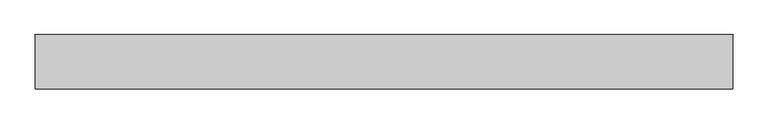
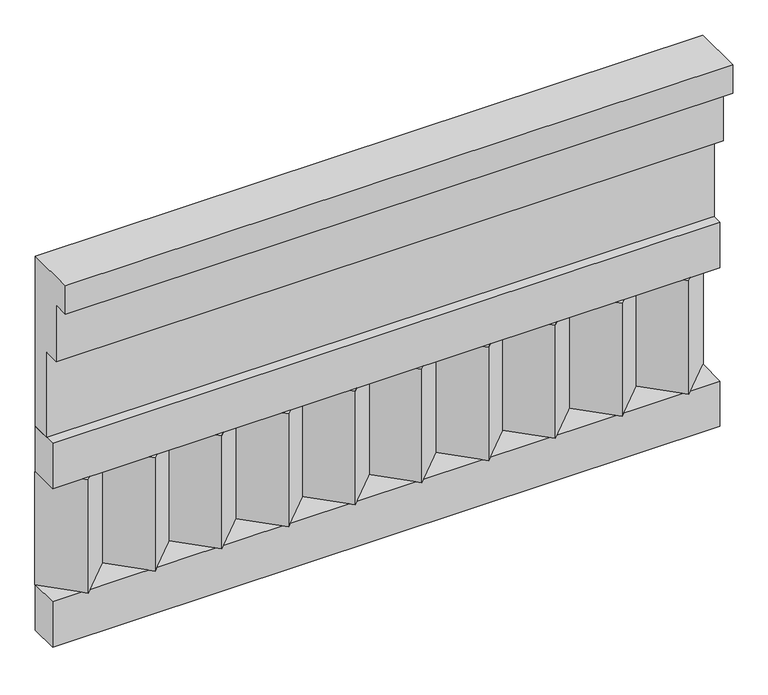
"""IFC4 building model written with IfcOpenShell, lengths in millimetres: railing geometry."""

from ifc_helpers import new_model, si_unit, frame, origin, place, context, project, spatial, polyline, outline, extrude, source, transform, mapped, element, save


def railing_b34f055b(model_context):
    return source(origin(), model_context, "Body", "SweptSolid", [
        extrude(outline(polyline([(-16816.8920513, 21800.0), (-16816.8920513, 21350.0), (-16866.8920513, 21350.0), (-16866.8920513, 21575.0), (-16906.8920513, 21575.0), (-16906.8920513, 21725.0), (-16946.8920513, 21725.0), (-16946.8920513, 21800.0), (-16816.8920513, 21800.0)])), frame((33090.0112841, 0.0, 0.0), z_axis=(1.0, 0.0, 0.0), x_axis=(0.0, 1.0, 0.0)), (0.0, 0.0, 1.0), 1670.0),
        extrude(outline(polyline([(33090.0112841, -16891.8920513), (33090.0112841, -16816.8920513), (34760.0112841, -16816.8920513), (34760.0112841, -16891.8920513), (33090.0112841, -16891.8920513)])), frame((0.0, 0.0, 21230.0), z_axis=(0.0, 0.0, 1.0), x_axis=(1.0, 0.0, 0.0)), (0.0, 0.0, 1.0), 120.0),
        extrude(outline(polyline([(33090.0112841, -16891.8920513), (33090.0112841, -16816.8920513), (34760.0112841, -16816.8920513), (34760.0112841, -16891.8920513), (33090.0112841, -16891.8920513)])), frame((0.0, 0.0, 20810.0), z_axis=(0.0, 0.0, 1.0), x_axis=(1.0, 0.0, 0.0)), (0.0, 0.0, 1.0), 120.0),
        extrude(outline(polyline([(34676.5112841, -16901.7448651), (34591.6584704, -16816.8920513), (34761.3640978, -16816.8920513), (34676.5112841, -16901.7448651)])), frame((0.0, 0.0, 20930.0), z_axis=(0.0, 0.0, 1.0), x_axis=(1.0, 0.0, 0.0)), (0.0, 0.0, 1.0), 300.0),
        extrude(outline(polyline([(34509.5112841, -16901.7448651), (34424.6584704, -16816.8920513), (34594.3640978, -16816.8920513), (34509.5112841, -16901.7448651)])), frame((0.0, 0.0, 20930.0), z_axis=(0.0, 0.0, 1.0), x_axis=(1.0, 0.0, 0.0)), (0.0, 0.0, 1.0), 300.0),
        extrude(outline(polyline([(34342.5112841, -16901.7448651), (34257.6584704, -16816.8920513), (34427.3640978, -16816.8920513), (34342.5112841, -16901.7448651)])), frame((0.0, 0.0, 20930.0), z_axis=(0.0, 0.0, 1.0), x_axis=(1.0, 0.0, 0.0)), (0.0, 0.0, 1.0), 300.0),
        extrude(outline(polyline([(34175.5112841, -16901.7448651), (34090.6584704, -16816.8920513), (34260.3640978, -16816.8920513), (34175.5112841, -16901.7448651)])), frame((0.0, 0.0, 20930.0), z_axis=(0.0, 0.0, 1.0), x_axis=(1.0, 0.0, 0.0)), (0.0, 0.0, 1.0), 300.0),
        extrude(outline(polyline([(34008.5112841, -16901.7448651), (33923.6584704, -16816.8920513), (34093.3640978, -16816.8920513), (34008.5112841, -16901.7448651)])), frame((0.0, 0.0, 20930.0), z_axis=(0.0, 0.0, 1.0), x_axis=(1.0, 0.0, 0.0)), (0.0, 0.0, 1.0), 300.0),
        extrude(outline(polyline([(33841.5112841, -16901.7448651), (33756.6584704, -16816.8920513), (33926.3640978, -16816.8920513), (33841.5112841, -16901.7448651)])), frame((0.0, 0.0, 20930.0), z_axis=(0.0, 0.0, 1.0), x_axis=(1.0, 0.0, 0.0)), (0.0, 0.0, 1.0), 300.0),
        extrude(outline(polyline([(33674.5112841, -16901.7448651), (33589.6584704, -16816.8920513), (33759.3640978, -16816.8920513), (33674.5112841, -16901.7448651)])), frame((0.0, 0.0, 20930.0), z_axis=(0.0, 0.0, 1.0), x_axis=(1.0, 0.0, 0.0)), (0.0, 0.0, 1.0), 300.0),
        extrude(outline(polyline([(33507.5112841, -16901.7448651), (33422.6584704, -16816.8920513), (33592.3640978, -16816.8920513), (33507.5112841, -16901.7448651)])), frame((0.0, 0.0, 20930.0), z_axis=(0.0, 0.0, 1.0), x_axis=(1.0, 0.0, 0.0)), (0.0, 0.0, 1.0), 300.0),
        extrude(outline(polyline([(33340.5112841, -16901.7448651), (33255.6584704, -16816.8920513), (33425.3640978, -16816.8920513), (33340.5112841, -16901.7448651)])), frame((0.0, 0.0, 20930.0), z_axis=(0.0, 0.0, 1.0), x_axis=(1.0, 0.0, 0.0)), (0.0, 0.0, 1.0), 300.0),
        extrude(outline(polyline([(33173.5112841, -16901.7448651), (33088.6584704, -16816.8920513), (33258.3640978, -16816.8920513), (33173.5112841, -16901.7448651)])), frame((0.0, 0.0, 20930.0), z_axis=(0.0, 0.0, 1.0), x_axis=(1.0, 0.0, 0.0)), (0.0, 0.0, 1.0), 300.0),
    ])


if __name__ == "__main__":
    model = new_model("IFC4")
    model_context = context("Model", 3, world=origin())
    ifc_project = project(units=[si_unit("LENGTHUNIT", "METRE", prefix="MILLI")], contexts=[model_context])
    site = spatial("IfcSite", under=ifc_project)
    building = spatial("IfcBuilding", under=site)
    placement = place(None, origin())
    railing_shape = railing_b34f055b(model_context)
    element("IfcRailing", 1, at=placement, inside=building, context=model_context, shape_type="MappedRepresentation", body=[
        mapped(railing_shape, transform((0.0, 0.0, 0.0), x_axis=(1.0, 0.0, 0.0), y_axis=(0.0, 1.0, 0.0), z_axis=(0.0, 0.0, 1.0))),
    ])
    save(model, "model.ifc")
